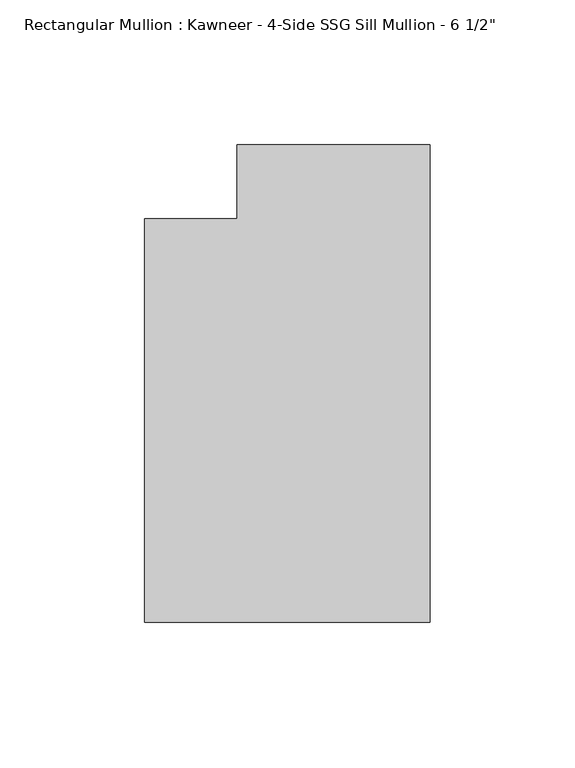
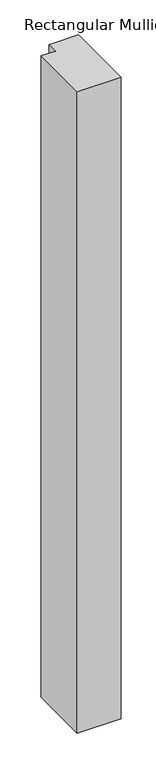
"""IFC4 building model written with IfcOpenShell, lengths in millimetres: member geometry."""

from ifc_helpers import new_model, si_unit, frame, origin, place, context, project, spatial, polyline, outline, extrude, source, transform, mapped, element, save


def member_c468d476(model_context):
    return source(origin(), model_context, "Body", "SweptSolid", [
        extrude(outline(polyline([(0.0, -151.892), (-98.425, -151.892), (-98.425, -12.7), (-66.6751132, -12.7), (-66.6751132, 12.7), (0.0, 12.7), (0.0, -151.892)])), frame((0.0, 0.0, -1516.358135), z_axis=(0.0, 0.0, 1.0), x_axis=(1.0, 0.0, 0.0)), (0.0, 0.0, 1.0), 1516.358135),
    ])


if __name__ == "__main__":
    model = new_model("IFC4")
    model_context = context("Model", 3, world=origin())
    ifc_project = project(units=[si_unit("LENGTHUNIT", "METRE", prefix="MILLI")], contexts=[model_context])
    site = spatial("IfcSite", under=ifc_project)
    building = spatial("IfcBuilding", under=site)
    placement = place(None, origin())
    member_shape = member_c468d476(model_context)
    element("IfcMember", 1, ObjectType="Rectangular Mullion : Kawneer - 4-Side SSG Sill Mullion - 6 1/2\"", at=placement, inside=building, context=model_context, shape_type="MappedRepresentation", body=[
        mapped(member_shape, transform((0.0, 0.0, 0.0), x_axis=(1.0, 0.0, 0.0), y_axis=(0.0, 1.0, 0.0), z_axis=(0.0, 0.0, 1.0))),
    ])
    save(model, "model.ifc")
